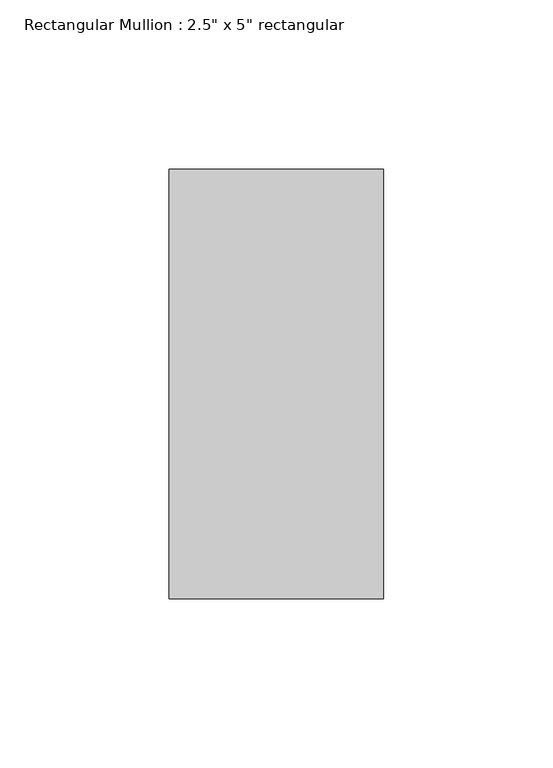
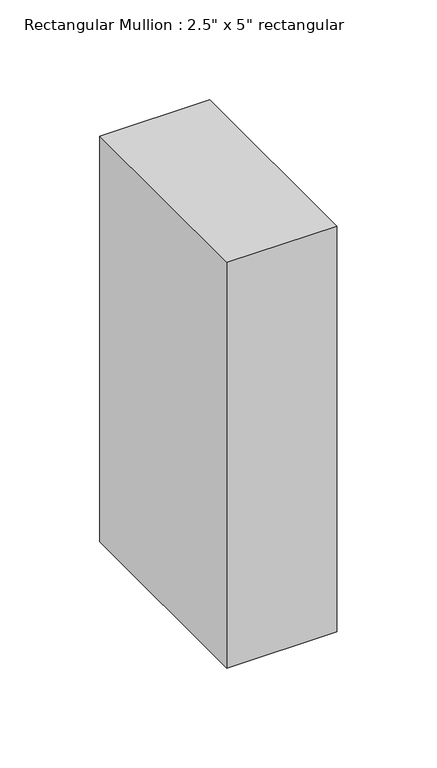
"""IFC4 building model written with IfcOpenShell, lengths in millimetres: member geometry."""

from ifc_helpers import new_model, si_unit, frame, origin, place, context, project, spatial, polyline, outline, extrude, source, transform, mapped, element, save


def member_4d06fd9b(model_context):
    return source(origin(), model_context, "Body", "SweptSolid", [
        extrude(outline(polyline([(0.0, 63.5), (0.0, -63.5), (-63.5, -63.5), (-63.5, 63.5), (0.0, 63.5)])), frame((0.0, 0.0, -247.65), z_axis=(0.0, 0.0, 1.0), x_axis=(1.0, 0.0, 0.0)), (0.0, 0.0, 1.0), 247.65),
    ])


if __name__ == "__main__":
    model = new_model("IFC4")
    model_context = context("Model", 3, world=origin())
    ifc_project = project(units=[si_unit("LENGTHUNIT", "METRE", prefix="MILLI")], contexts=[model_context])
    site = spatial("IfcSite", under=ifc_project)
    building = spatial("IfcBuilding", under=site)
    placement = place(None, origin())
    member_shape = member_4d06fd9b(model_context)
    element("IfcMember", 1, ObjectType="Rectangular Mullion : 2.5\" x 5\" rectangular", at=placement, inside=building, context=model_context, shape_type="MappedRepresentation", body=[
        mapped(member_shape, transform((0.0, 0.0, 0.0), x_axis=(1.0, 0.0, 0.0), y_axis=(0.0, 1.0, 0.0), z_axis=(0.0, 0.0, 1.0))),
    ])
    save(model, "model.ifc")
